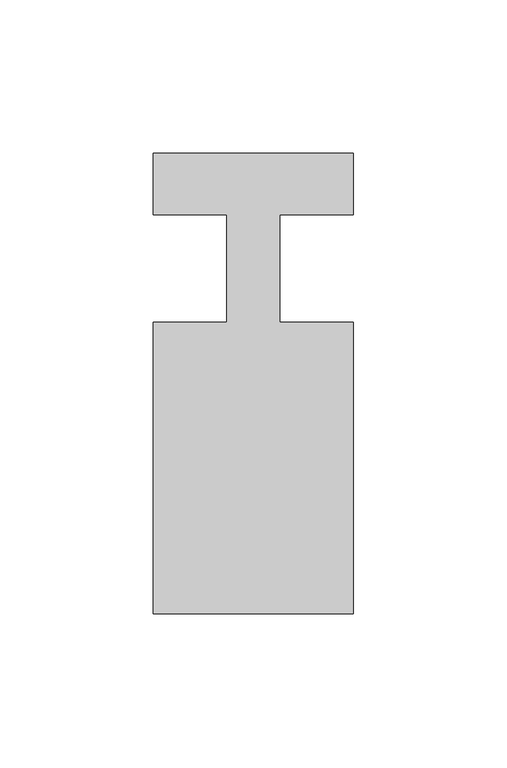
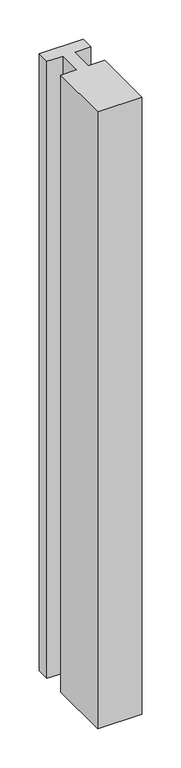
"""IFC4 building model written with IfcOpenShell, lengths in millimetres: member geometry."""

from ifc_helpers import new_model, si_unit, frame, origin, place, context, project, spatial, polyline, outline, extrude, source, transform, mapped, element, save


def member_248b9cce(model_context):
    return source(origin(), model_context, "Body", "SweptSolid", [
        extrude(outline(polyline([(-65.0, 37.0), (0.0, 37.0), (0.0, 17.0), (-23.8125, 17.0), (-23.8125, -18.0), (0.0, -18.0), (0.0, -113.0), (-65.0, -113.0), (-65.0, -18.0), (-41.1875, -18.0), (-41.1875, 17.0), (-65.0, 17.0), (-65.0, 37.0)])), frame((0.0, 0.0, -963.5714286), z_axis=(0.0, 0.0, 1.0), x_axis=(1.0, 0.0, 0.0)), (0.0, 0.0, 1.0), 963.5714286),
    ])


if __name__ == "__main__":
    model = new_model("IFC4")
    model_context = context("Model", 3, world=origin())
    ifc_project = project(units=[si_unit("LENGTHUNIT", "METRE", prefix="MILLI")], contexts=[model_context])
    site = spatial("IfcSite", under=ifc_project)
    building = spatial("IfcBuilding", under=site)
    placement = place(None, origin())
    member_shape = member_248b9cce(model_context)
    element("IfcMember", 1, at=placement, inside=building, context=model_context, shape_type="MappedRepresentation", body=[
        mapped(member_shape, transform((0.0, 0.0, 0.0), x_axis=(1.0, 0.0, 0.0), y_axis=(0.0, 1.0, 0.0), z_axis=(0.0, 0.0, 1.0))),
    ])
    save(model, "model.ifc")
